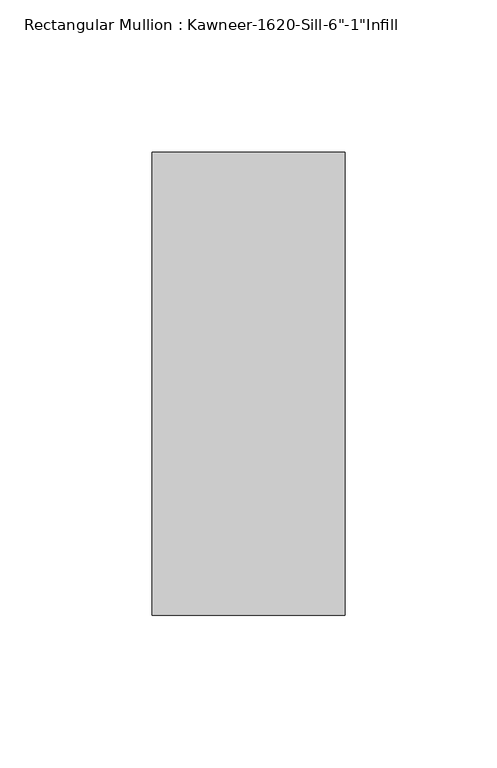
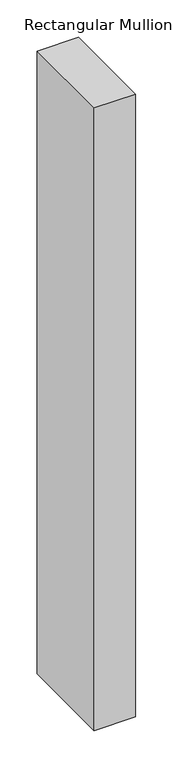
"""IFC4 building model written with IfcOpenShell, lengths in millimetres: member geometry."""

from ifc_helpers import new_model, si_unit, frame, origin, place, context, project, spatial, polyline, outline, extrude, source, transform, mapped, element, save


def member_d1c52956(model_context):
    return source(origin(), model_context, "Body", "SweptSolid", [
        extrude(outline(polyline([(-63.5, 38.1), (0.0, 38.1), (0.0, -114.3), (-63.5, -114.3), (-63.5, 38.1)])), frame((0.0, 0.0, -1016.0), z_axis=(0.0, 0.0, 1.0), x_axis=(1.0, 0.0, 0.0)), (0.0, 0.0, 1.0), 1016.0),
    ])


if __name__ == "__main__":
    model = new_model("IFC4")
    model_context = context("Model", 3, world=origin())
    ifc_project = project(units=[si_unit("LENGTHUNIT", "METRE", prefix="MILLI")], contexts=[model_context])
    site = spatial("IfcSite", under=ifc_project)
    building = spatial("IfcBuilding", under=site)
    placement = place(None, origin())
    member_shape = member_d1c52956(model_context)
    element("IfcMember", 1, ObjectType="Rectangular Mullion : Kawneer-1620-Sill-6\"-1\"Infill", at=placement, inside=building, context=model_context, shape_type="MappedRepresentation", body=[
        mapped(member_shape, transform((0.0, 0.0, 0.0), x_axis=(1.0, 0.0, 0.0), y_axis=(0.0, 1.0, 0.0), z_axis=(0.0, 0.0, 1.0))),
    ])
    save(model, "model.ifc")
